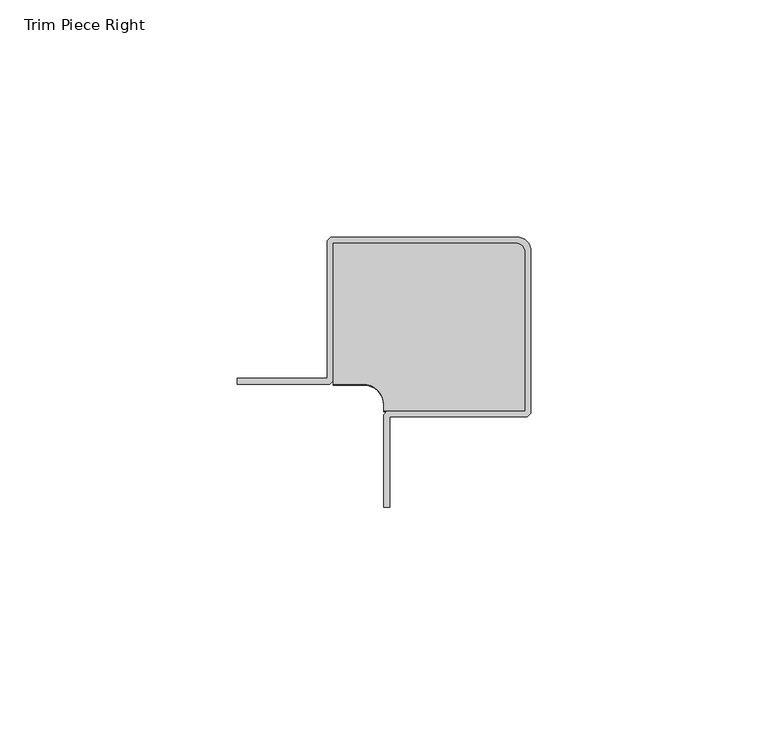
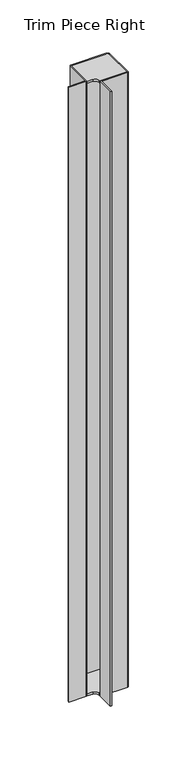
"""IFC4 building model written with IfcOpenShell, lengths in millimetres: furniture geometry, Trim Piece Right."""

import ifcopenshell
import ifcopenshell.guid

model = None  # the IFC model being written
_history = None  # IfcOwnerHistory: only IFC2X3 demands one
_inside = {}  # id of a spatial element -> (the spatial element, [elements in it])
_under = {}  # id of a project, library or spatial element -> (it, [spatial elements below it])
_declared = {}  # id of a project -> (the project, [libraries it declares])
_typed = {}  # id of a type object -> (the type object, [elements of that type])
_made_of = {}  # id of a material, layer set ... -> (it, [elements and type objects made of it])


def new_model(schema):
    """Start an empty IFC model of exactly this schema.

    Asked for "IFC4X3", IfcOpenShell would pick the latest addendum, in which some entities
    have other attributes; the version numbers below select the first issue.
    IFC2X3 requires an IfcOwnerHistory on every rooted entity: one is made here for all.
    """
    global model, _history
    if schema == "IFC4X3":
        model = ifcopenshell.file(schema_version=(4, 3, 0, 0))
    else:
        model = ifcopenshell.file(schema=schema)
    _inside.clear()
    _under.clear()
    _declared.clear()
    _typed.clear()
    _made_of.clear()
    _history = None
    if model.schema == "IFC2X3":
        org = make("IfcOrganization", Name="unknown")
        user = make(
            "IfcPersonAndOrganization",
            ThePerson=make("IfcPerson", FamilyName="unknown"),
            TheOrganization=org,
        )
        app = make(
            "IfcApplication",
            ApplicationDeveloper=org,
            Version="unknown",
            ApplicationFullName="unknown",
            ApplicationIdentifier="unknown",
        )
        _history = make(
            "IfcOwnerHistory",
            OwningUser=user,
            OwningApplication=app,
            ChangeAction="ADDED",
            CreationDate=0,
        )
    return model


def make(cls, **values):
    """One entity of the class cls with the attributes given. An attribute that is None is left unset."""
    return model.create_entity(
        cls, **{name: value for name, value in values.items() if value is not None}
    )


def rooted(cls, **values):
    """An entity with a GlobalId (a new one), such as an element, a storey or a relation."""
    return make(cls, GlobalId=ifcopenshell.guid.new(), OwnerHistory=_history, **values)


def si_unit(unit_type, name, prefix=None):
    """IfcSIUnit, for example si_unit("LENGTHUNIT", "METRE", prefix="MILLI")."""
    return make("IfcSIUnit", UnitType=unit_type, Prefix=prefix, Name=name)


def assignment(units):
    """IfcUnitAssignment: the units of a project."""
    return None if units is None else make("IfcUnitAssignment", Units=units)


def point(xyz):
    """IfcCartesianPoint."""
    return None if xyz is None else make("IfcCartesianPoint", Coordinates=xyz)


def direction(xyz):
    """IfcDirection."""
    return None if xyz is None else make("IfcDirection", DirectionRatios=xyz)


def frame(location, z_axis=None, x_axis=None):
    """IfcAxis2Placement3D, a coordinate frame: its origin and axes. An axis left out is left unset."""
    return make(
        "IfcAxis2Placement3D",
        Location=point(location),
        Axis=direction(z_axis),
        RefDirection=direction(x_axis),
    )


def frame_2d(location, x_axis=None):
    """IfcAxis2Placement2D, a coordinate frame in the plane: its origin and x axis."""
    return make(
        "IfcAxis2Placement2D", Location=point(location), RefDirection=direction(x_axis)
    )


def origin():
    """The frame at (0, 0, 0) with its axes left unset."""
    return frame((0.0, 0.0, 0.0))


def place(relative_to, where):
    """IfcLocalPlacement: puts the frame where relative to a parent placement (None: the world)."""
    return make(
        "IfcLocalPlacement", PlacementRelTo=relative_to, RelativePlacement=where
    )


def context(
    kind, dimensions, precision=None, world=None, true_north=None, identifier=None
):
    """IfcGeometricRepresentationContext, for example the 3D "Model" context."""
    return make(
        "IfcGeometricRepresentationContext",
        ContextIdentifier=identifier,
        ContextType=kind,
        CoordinateSpaceDimension=dimensions,
        Precision=precision,
        WorldCoordinateSystem=world,
        TrueNorth=true_north,
    )


def project(units=None, contexts=None):
    """IfcProject with its units and contexts."""
    return rooted(
        "IfcProject",
        Name="project",
        RepresentationContexts=contexts,
        UnitsInContext=assignment(units),
    )


def spatial(cls, under=None, at=None, **own):
    """A site, building, storey or space (cls), placed at a placement, below another one or the project."""
    s = rooted(cls, ObjectPlacement=at, **own)
    if under is not None:
        _under.setdefault(under.id(), (under, []))[1].append(s)
    return s


def polyline(points):
    """IfcPolyline through the points."""
    return make("IfcPolyline", Points=[point(p) for p in points])


def circle_curve(where, radius):
    """IfcCircle in the frame where."""
    return make("IfcCircle", Position=where, Radius=radius)


def trimmed(basis, trim1, trim2, sense, master):
    """IfcTrimmedCurve: the piece of a basis curve between two trims."""
    return make(
        "IfcTrimmedCurve",
        BasisCurve=basis,
        Trim1=trim1,
        Trim2=trim2,
        SenseAgreement=sense,
        MasterRepresentation=master,
    )


def segment(curve, same_sense, transition):
    """IfcCompositeCurveSegment."""
    return make(
        "IfcCompositeCurveSegment",
        Transition=transition,
        SameSense=same_sense,
        ParentCurve=curve,
    )


def composite_curve(segments, self_intersect=None):
    """IfcCompositeCurve: segments joined end to end."""
    return make("IfcCompositeCurve", Segments=segments, SelfIntersect=self_intersect)


def outline(outer, holes=None, kind="AREA"):
    """IfcArbitraryClosedProfileDef: a profile drawn as a closed curve; with holes, ...WithVoids."""
    if holes is None:
        return make("IfcArbitraryClosedProfileDef", ProfileType=kind, OuterCurve=outer)
    return make(
        "IfcArbitraryProfileDefWithVoids",
        ProfileType=kind,
        OuterCurve=outer,
        InnerCurves=holes,
    )


def extrude(swept, where, along, depth):
    """IfcExtrudedAreaSolid: the profile swept, set in the frame where, extruded along a direction by depth."""
    return make(
        "IfcExtrudedAreaSolid",
        SweptArea=swept,
        Position=where,
        ExtrudedDirection=direction(along),
        Depth=depth,
    )


def shape(context_of_items, identifier, shape_type, items):
    """IfcShapeRepresentation: the items that make up one representation, for example the "Body"."""
    return make(
        "IfcShapeRepresentation",
        ContextOfItems=context_of_items,
        RepresentationIdentifier=identifier,
        RepresentationType=shape_type,
        Items=items,
    )


def source(mapping_origin, context_of_items, identifier, shape_type, items):
    """IfcRepresentationMap: a shape defined once, which mapped items show again and again."""
    return make(
        "IfcRepresentationMap",
        MappingOrigin=mapping_origin,
        MappedRepresentation=shape(context_of_items, identifier, shape_type, items),
    )


def transform(
    local_origin,
    x_axis=None,
    y_axis=None,
    z_axis=None,
    scale=None,
    scale2=None,
    scale3=None,
    uniform=True,
):
    """IfcCartesianTransformationOperator3D, or its non-uniform kind. x_axis, y_axis, z_axis: its Axis1, 2, 3."""
    if uniform:
        return make(
            "IfcCartesianTransformationOperator3D",
            Axis1=direction(x_axis),
            Axis2=direction(y_axis),
            LocalOrigin=point(local_origin),
            Scale=scale,
            Axis3=direction(z_axis),
        )
    return make(
        "IfcCartesianTransformationOperator3DnonUniform",
        Axis1=direction(x_axis),
        Axis2=direction(y_axis),
        LocalOrigin=point(local_origin),
        Scale=scale,
        Axis3=direction(z_axis),
        Scale2=scale2,
        Scale3=scale3,
    )


def mapped(mapping_source, mapping_target):
    """IfcMappedItem: shows the shape of a source again, moved by a transform."""
    return make(
        "IfcMappedItem", MappingSource=mapping_source, MappingTarget=mapping_target
    )


def made_of(thing, what):
    """Note that an element or type object is made of a material, layer set ...; save() writes the relation."""
    if what is not None:
        _made_of.setdefault(what.id(), (what, []))[1].append(thing)
    return thing


def element(
    cls,
    number,
    at=None,
    inside=None,
    cuts=None,
    type_object=None,
    material=None,
    context=None,
    identifier="Body",
    shape_type=None,
    held_by="IfcProductDefinitionShape",
    body=None,
    shapes=None,
    **own,
):
    """One element of the class cls, such as IfcWall. Its Tag is "e" and its number.

    at: its placement. inside: the storey or other place that contains it. cuts: it is an
    opening in that element (IfcRelVoidsElement). A single representation is given by context,
    identifier, shape_type and body (its items); several are given by shapes. held_by: the class
    of the entity that holds the representations. save() writes the other relations.
    """
    e = rooted(cls, Tag="e%d" % number, ObjectPlacement=at, **own)
    if body is not None:
        shapes = [shape(context, identifier, shape_type, body)]
    if shapes is not None:
        e.Representation = make(held_by, Representations=shapes)
    if inside is not None:
        _inside.setdefault(inside.id(), (inside, []))[1].append(e)
    if cuts is not None:
        rooted(
            "IfcRelVoidsElement", RelatingBuildingElement=cuts, RelatedOpeningElement=e
        )
    if type_object is not None:
        _typed.setdefault(type_object.id(), (type_object, []))[1].append(e)
    return made_of(e, material)


def aggregate(whole, parts):
    """IfcRelAggregates: a whole, such as a stair, and the parts it consists of."""
    return rooted("IfcRelAggregates", RelatingObject=whole, RelatedObjects=parts)


def save(model, path):
    """Write the relations noted so far, then the file.

    IfcRelAggregates (storeys below a building ...), IfcRelContainedInSpatialStructure (elements
    in a storey), IfcRelDefinesByType, IfcRelAssociatesMaterial and IfcRelDeclares: one each for
    every whole, place, type object, material and project.
    """
    for whole, parts in _under.values():
        aggregate(whole, parts)
    for where, things in _inside.values():
        rooted(
            "IfcRelContainedInSpatialStructure",
            RelatedElements=things,
            RelatingStructure=where,
        )
    for kind, things in _typed.values():
        rooted("IfcRelDefinesByType", RelatedObjects=things, RelatingType=kind)
    for what, things in _made_of.values():
        rooted("IfcRelAssociatesMaterial", RelatedObjects=things, RelatingMaterial=what)
    for by, libraries in _declared.values():
        rooted("IfcRelDeclares", RelatingContext=by, RelatedDefinitions=libraries)
    model.write(path)


def trim_piece_right_8cce2551(model_context):
    return source(origin(), model_context, "Body", "SweptSolid", [
        extrude(outline(composite_curve([segment(polyline([(19.913601, 25.8216411), (13.5889995, 25.8216411), (13.5889995, 55.6412394), (51.9684031, 55.6412394)]), True, "CONTINUOUS"), segment(trimmed(circle_curve(frame_2d((51.9684031, 53.6092414)), 2.0319981), [point((51.9684031, 55.6412394))], [point((54.0004012, 53.6092414))], False, "CARTESIAN"), True, "CONTINUOUS"), segment(polyline([(54.0004012, 53.6092414), (54.0004012, 20.2336396), (24.1808006, 20.2336396), (24.1808006, 21.5544415)]), True, "CONTINUOUS"), segment(trimmed(circle_curve(frame_2d((19.913601, 21.5544415)), 4.2671996), [point((24.1808006, 21.5544415))], [point((19.913601, 25.8216411))], True, "CARTESIAN"), True, "CONTINUOUS")], self_intersect=False)), frame((0.0, 0.0, 721.0044258), z_axis=(0.0, 0.0, 1.0), x_axis=(1.0, 0.0, 0.0)), (0.0, 0.0, 1.0), 2.54),
        extrude(outline(composite_curve([segment(trimmed(circle_curve(frame_2d((52.2224029, 53.8632411)), 3.0479971), [point((52.2224029, 56.9112382))], [point((55.2704, 53.8632411))], False, "CARTESIAN"), True, "CONTINUOUS"), segment(polyline([(55.2704, 53.8632411), (55.2704, 19.7256389), (54.5084007, 18.9636397), (25.4507993, 18.9636397), (25.4507993, -0.08636), (24.1808006, -0.08636), (24.1808006, 19.4716403), (24.9427998, 20.2336396), (54.0004012, 20.2336396), (54.0004012, 53.6092414)]), True, "CONTINUOUS"), segment(trimmed(circle_curve(frame_2d((51.9684031, 53.6092414)), 2.0319981), [point((54.0004012, 53.6092414))], [point((51.9684031, 55.6412394))], True, "CARTESIAN"), True, "CONTINUOUS"), segment(polyline([(51.9684031, 55.6412394), (13.5889995, 55.6412394), (13.5889995, 26.5836404), (12.8270003, 25.8216411), (-6.7309998, 25.8216411), (-6.7309998, 27.0916399), (12.3189996, 27.0916399), (12.3189996, 56.1492378), (13.081, 56.9112382), (52.2224029, 56.9112382)]), True, "CONTINUOUS")], self_intersect=False)), frame((0.0, 0.0, 7.5184001), z_axis=(0.0, 0.0, 1.0), x_axis=(1.0, 0.0, 0.0)), (0.0, 0.0, 1.0), 716.0260257),
        extrude(outline(composite_curve([segment(polyline([(19.913601, 25.8216411), (13.5889995, 25.8216411), (13.5889995, 55.6412394), (51.9684031, 55.6412394)]), True, "CONTINUOUS"), segment(trimmed(circle_curve(frame_2d((51.9684031, 53.6092414)), 2.0319981), [point((51.9684031, 55.6412394))], [point((54.0004012, 53.6092414))], False, "CARTESIAN"), True, "CONTINUOUS"), segment(polyline([(54.0004012, 53.6092414), (54.0004012, 20.2336396), (24.1808006, 20.2336396), (24.1808006, 21.5544415)]), True, "CONTINUOUS"), segment(trimmed(circle_curve(frame_2d((19.913601, 21.5544415)), 4.2671996), [point((24.1808006, 21.5544415))], [point((19.913601, 25.8216411))], True, "CARTESIAN"), True, "CONTINUOUS")], self_intersect=False)), frame((0.0, 0.0, 7.5184001), z_axis=(0.0, 0.0, 1.0), x_axis=(1.0, 0.0, 0.0)), (0.0, 0.0, 1.0), 2.54),
    ])


if __name__ == "__main__":
    model = new_model("IFC4")
    model_context = context("Model", 3, world=origin())
    ifc_project = project(units=[si_unit("LENGTHUNIT", "METRE", prefix="MILLI")], contexts=[model_context])
    site = spatial("IfcSite", under=ifc_project)
    building = spatial("IfcBuilding", under=site)
    placement = place(None, origin())
    trim_piece_right_shape = trim_piece_right_8cce2551(model_context)
    element("IfcFurniture", 1, ObjectType="Trim Piece Right", at=placement, inside=building, context=model_context, shape_type="MappedRepresentation", body=[
        mapped(trim_piece_right_shape, transform((0.0, 0.0, 0.0), x_axis=(1.0, 0.0, 0.0), y_axis=(0.0, 1.0, 0.0), z_axis=(0.0, 0.0, 1.0))),
    ])
    save(model, "model.ifc")
